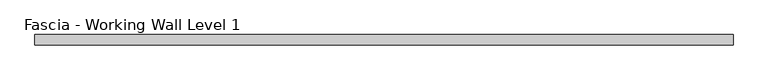
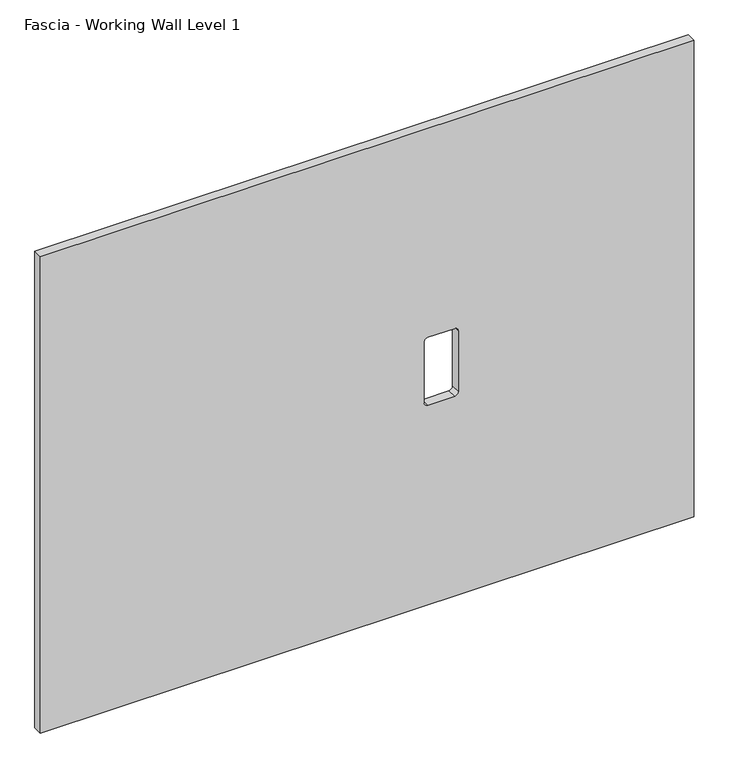
"""IFC4 building model written with IfcOpenShell, lengths in millimetres: proxy geometry, Fascia - Working Wall Level 1."""

from ifc_helpers import new_model, si_unit, point, frame, frame_2d, origin, place, context, project, spatial, polyline, circle_curve, trimmed, segment, composite_curve, outline, extrude, source, transform, mapped, element, save


def fascia_working_wall_level_1_0a5b3c3d(model_context):
    return source(origin(), model_context, "Body", "SweptSolid", [
        extrude(outline(polyline([(918.2606874, -613.4277862), (0.0, -613.4277862), (0.0, 578.8752112), (918.2606874, 578.8752112), (918.2606874, -613.4277862)]), holes=[composite_curve([segment(polyline([(384.9156731, 142.7295257), (384.9156731, 93.8853257)]), True, "CONTINUOUS"), segment(trimmed(circle_curve(frame_2d((391.2656731, 93.8853257)), 6.35), [point((384.9156731, 93.8853257))], [point((391.2656731, 87.5353257))], True, "CARTESIAN"), True, "CONTINUOUS"), segment(polyline([(391.2656731, 87.5353257), (509.0200731, 87.5353257)]), True, "CONTINUOUS"), segment(trimmed(circle_curve(frame_2d((509.0200731, 93.8853257)), 6.35), [point((509.0200731, 87.5353257))], [point((515.3700731, 93.8853257))], True, "CARTESIAN"), True, "CONTINUOUS"), segment(polyline([(515.3700731, 93.8853257), (515.3700731, 142.7295257)]), True, "CONTINUOUS"), segment(trimmed(circle_curve(frame_2d((509.0200731, 142.7295257)), 6.35), [point((515.3700731, 142.7295257))], [point((509.0200731, 149.0795257))], True, "CARTESIAN"), True, "CONTINUOUS"), segment(polyline([(509.0200731, 149.0795257), (391.2656731, 149.0795257)]), True, "CONTINUOUS"), segment(trimmed(circle_curve(frame_2d((391.2656731, 142.7295257)), 6.35), [point((391.2656731, 149.0795257))], [point((384.9156731, 142.7295257))], True, "CARTESIAN"), True, "CONTINUOUS")], self_intersect=False)]), frame((0.0, -24.22678, 0.0), z_axis=(0.0, 1.0, 0.0), x_axis=(0.0, 0.0, 1.0)), (0.0, 0.0, 1.0), 17.4752),
    ])


if __name__ == "__main__":
    model = new_model("IFC4")
    model_context = context("Model", 3, world=origin())
    ifc_project = project(units=[si_unit("LENGTHUNIT", "METRE", prefix="MILLI")], contexts=[model_context])
    site = spatial("IfcSite", under=ifc_project)
    building = spatial("IfcBuilding", under=site)
    placement = place(None, origin())
    fascia_working_wall_level_1_shape = fascia_working_wall_level_1_0a5b3c3d(model_context)
    element("IfcBuildingElementProxy", 1, Name="Fascia - Working Wall Level 1", ObjectType="Fascia - Working Wall Level 1", at=placement, inside=building, context=model_context, shape_type="MappedRepresentation", body=[
        mapped(fascia_working_wall_level_1_shape, transform((0.0, 0.0, 0.0), x_axis=(1.0, 0.0, 0.0), y_axis=(0.0, 1.0, 0.0), z_axis=(0.0, 0.0, 1.0))),
    ])
    save(model, "model.ifc")
